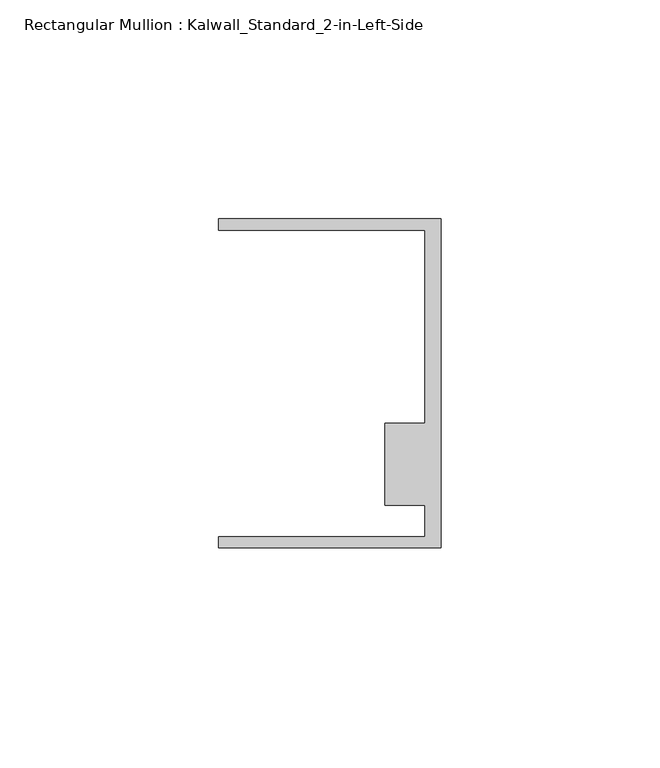
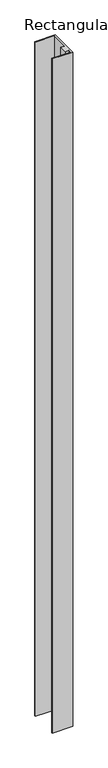
"""IFC4 building model written with IfcOpenShell, lengths in millimetres: member geometry, Rectangular Mullion : Kalwall_Standard_2-in-Left-Side."""

from ifc_helpers import new_model, si_unit, frame, origin, place, context, project, spatial, polyline, outline, extrude, source, transform, mapped, element, save


def rectangular_mullion_kalwall_standard_2_in_left_side_7c30a323(model_context):
    return source(origin(), model_context, "Body", "SweptSolid", [
        extrude(outline(polyline([(0.0, -37.5776386), (-50.8, -37.5776386), (-50.8, -35.0376386), (-3.7084, -35.0376386), (-3.7084, -27.8888568), (-12.8272539, -27.8888568), (-12.8272539, -9.1879886), (-3.7084, -9.1879886), (-3.7084, 34.9623614), (-50.8, 34.9623614), (-50.8, 37.5023614), (0.0, 37.5023614), (0.0, -37.5776386)])), frame((0.0, 0.0, -1776.625), z_axis=(0.0, 0.0, 1.0), x_axis=(1.0, 0.0, 0.0)), (0.0, 0.0, 1.0), 1776.625),
    ])


if __name__ == "__main__":
    model = new_model("IFC4")
    model_context = context("Model", 3, world=origin())
    ifc_project = project(units=[si_unit("LENGTHUNIT", "METRE", prefix="MILLI")], contexts=[model_context])
    site = spatial("IfcSite", under=ifc_project)
    building = spatial("IfcBuilding", under=site)
    placement = place(None, origin())
    rectangular_mullion_kalwall_standard_2_in_left_side_shape = rectangular_mullion_kalwall_standard_2_in_left_side_7c30a323(model_context)
    element("IfcMember", 1, ObjectType="Rectangular Mullion : Kalwall_Standard_2-in-Left-Side", at=placement, inside=building, context=model_context, shape_type="MappedRepresentation", body=[
        mapped(rectangular_mullion_kalwall_standard_2_in_left_side_shape, transform((0.0, 0.0, 0.0), x_axis=(1.0, 0.0, 0.0), y_axis=(0.0, 1.0, 0.0), z_axis=(0.0, 0.0, 1.0))),
    ])
    save(model, "model.ifc")
